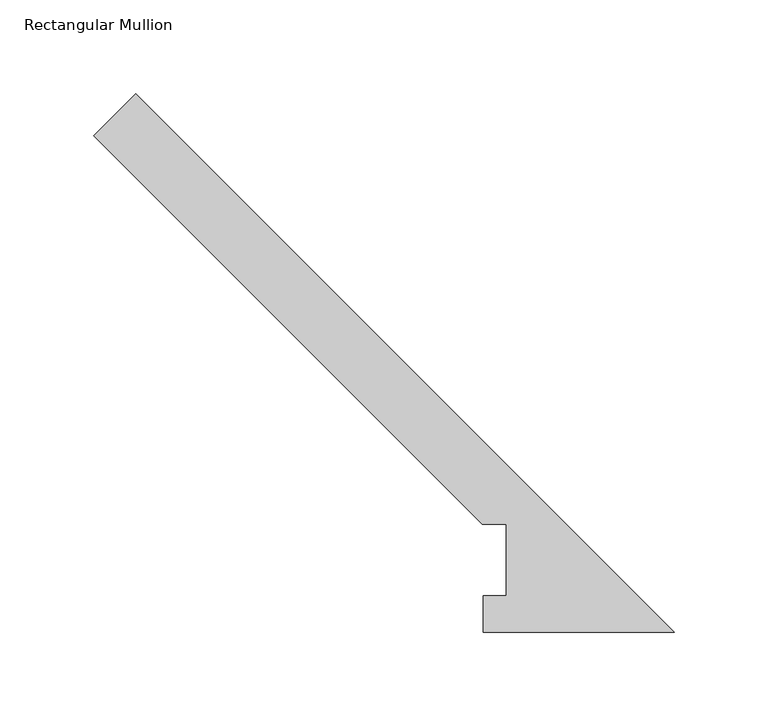
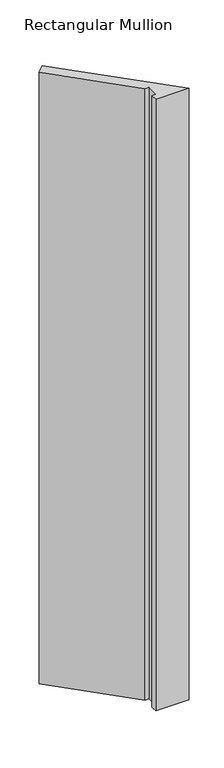
"""IFC4 building model written with IfcOpenShell, lengths in millimetres: member geometry, Rectangular Mullion."""

from ifc_helpers import new_model, si_unit, frame, origin, place, context, project, spatial, polyline, outline, extrude, source, transform, mapped, element, save


def rectangular_mullion_10f6d361(model_context):
    return source(origin(), model_context, "Body", "SweptSolid", [
        extrude(outline(polyline([(-102.5396468, 57.6460937), (-310.0339648, 265.1404117), (-287.5833245, 287.591052), (0.0, 0.0077275), (-102.1557194, 0.0077275), (-102.1557194, 19.5403275), (-89.8396468, 19.5403275), (-89.8396468, 57.6460938), (-102.5396468, 57.6460937)])), frame((0.0, 0.0, -1993.9), z_axis=(0.0, 0.0, 1.0), x_axis=(1.0, 0.0, 0.0)), (0.0, 0.0, 1.0), 1993.9),
    ])


if __name__ == "__main__":
    model = new_model("IFC4")
    model_context = context("Model", 3, world=origin())
    ifc_project = project(units=[si_unit("LENGTHUNIT", "METRE", prefix="MILLI")], contexts=[model_context])
    site = spatial("IfcSite", under=ifc_project)
    building = spatial("IfcBuilding", under=site)
    placement = place(None, origin())
    rectangular_mullion_shape = rectangular_mullion_10f6d361(model_context)
    element("IfcMember", 1, ObjectType="Rectangular Mullion", at=placement, inside=building, context=model_context, shape_type="MappedRepresentation", body=[
        mapped(rectangular_mullion_shape, transform((0.0, 0.0, 0.0), x_axis=(1.0, 0.0, 0.0), y_axis=(0.0, 1.0, 0.0), z_axis=(0.0, 0.0, 1.0))),
    ])
    save(model, "model.ifc")
